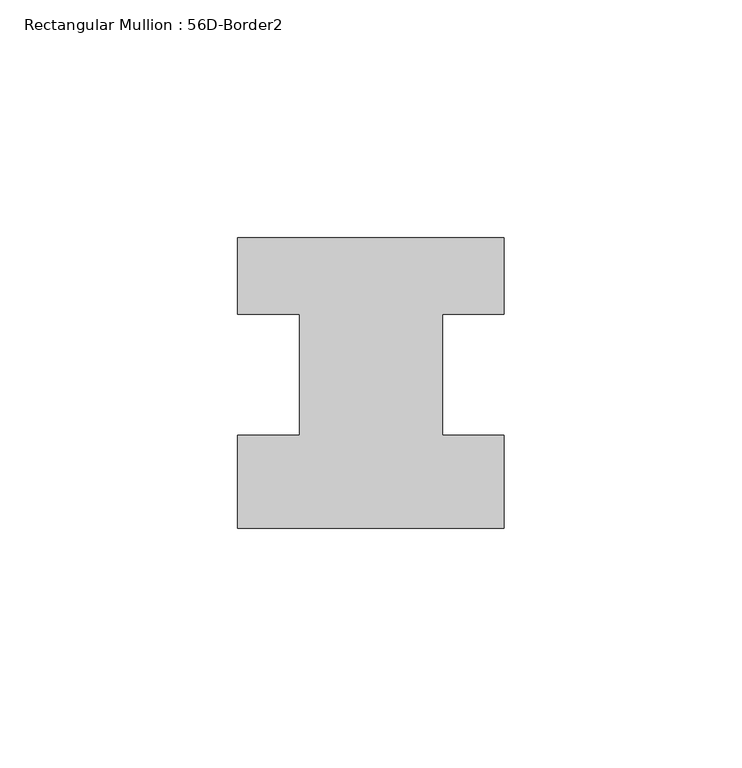
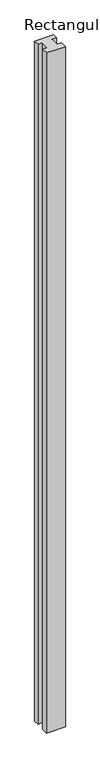
"""IFC4 building model written with IfcOpenShell, lengths in millimetres: member geometry, Rectangular Mullion : 56D-Border2."""

from ifc_helpers import new_model, si_unit, frame, origin, place, context, project, spatial, polyline, outline, extrude, source, transform, mapped, element, save


def rectangular_mullion_56d_border2_6f53c55b(model_context):
    return source(origin(), model_context, "Body", "SweptSolid", [
        extrude(outline(polyline([(0.0, -20.0), (-56.0, -20.0), (-56.0, -0.5), (-43.0, -0.5), (-43.0, 25.0), (-56.0, 25.0), (-56.0, 41.0), (0.0, 41.0), (0.0, 25.0), (-13.0, 25.0), (-13.0, -0.5), (0.0, -0.5), (0.0, -20.0)])), frame((0.0, 0.0, -2144.0), z_axis=(0.0, 0.0, 1.0), x_axis=(1.0, 0.0, 0.0)), (0.0, 0.0, 1.0), 2144.0),
    ])


if __name__ == "__main__":
    model = new_model("IFC4")
    model_context = context("Model", 3, world=origin())
    ifc_project = project(units=[si_unit("LENGTHUNIT", "METRE", prefix="MILLI")], contexts=[model_context])
    site = spatial("IfcSite", under=ifc_project)
    building = spatial("IfcBuilding", under=site)
    placement = place(None, origin())
    rectangular_mullion_56d_border2_shape = rectangular_mullion_56d_border2_6f53c55b(model_context)
    element("IfcMember", 1, ObjectType="Rectangular Mullion : 56D-Border2", at=placement, inside=building, context=model_context, shape_type="MappedRepresentation", body=[
        mapped(rectangular_mullion_56d_border2_shape, transform((0.0, 0.0, 0.0), x_axis=(1.0, 0.0, 0.0), y_axis=(0.0, 1.0, 0.0), z_axis=(0.0, 0.0, 1.0))),
    ])
    save(model, "model.ifc")
